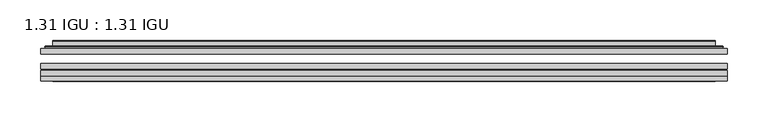
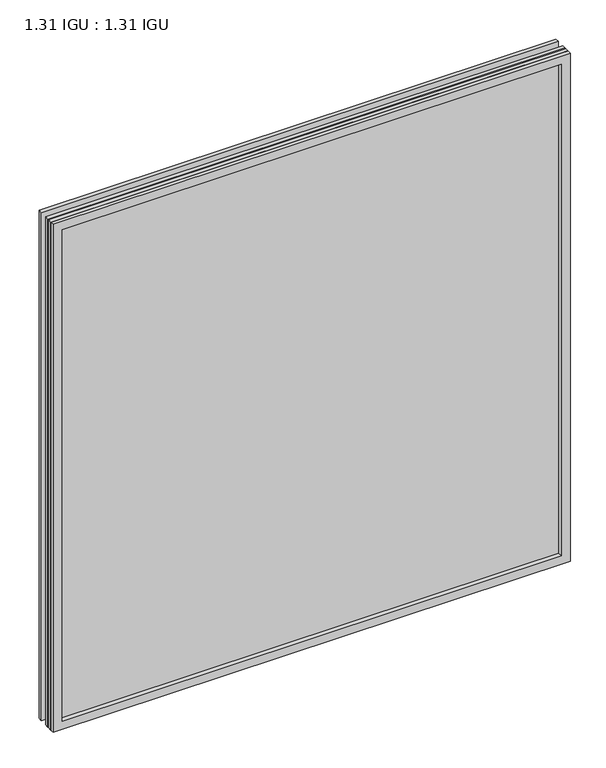
"""IFC4 building model written with IfcOpenShell, lengths in millimetres: plate geometry, 1.31 IGU : 1.31 IGU."""

from ifc_helpers import new_model, si_unit, frame, origin, place, context, project, spatial, polyline, ellipse_curve, outline, extrude, faceted_brep, source, transform, mapped, element, save
from ifc_brep_helpers import plane_surface, cylinder_surface, advanced_brep


def plate_1_31_igu_1_31_igu_b12b6b4f(model_context):
    return source(origin(), model_context, "Body", "SolidModel", [
        extrude(outline(polyline([(419.1140393, -63.59525), (419.1140393, -69.94525), (-419.0998644, -69.94525), (-419.0998644, -63.59525), (419.1140393, -63.59525)])), frame((0.0, 0.0, -14.2875), z_axis=(0.0, 0.0, 1.0), x_axis=(1.0, 0.0, 0.0)), (0.0, 0.0, 1.0), 869.9537979),
        extrude(outline(polyline([(-419.0998644, -78.58125), (-419.0998644, -72.230745), (419.1140393, -72.230745), (419.1140393, -78.58125), (-419.0998644, -78.58125)])), frame((0.0, 0.0, -14.2875), z_axis=(0.0, 0.0, 1.0), x_axis=(1.0, 0.0, 0.0)), (0.0, 0.0, 1.0), 869.9537979),
        extrude(outline(polyline([(419.1140393, -45.25645), (419.1140393, -51.60645), (-419.0998644, -51.60645), (-419.0998644, -45.25645), (419.1140393, -45.25645)])), frame((0.0, 0.0, -14.2875), z_axis=(0.0, 0.0, 1.0), x_axis=(1.0, 0.0, 0.0)), (0.0, 0.0, 1.0), 869.9537979),
        faceted_brep([(-419.1125644, -84.93125, 855.6752), (-419.1125644, -78.58125, 855.6752), (-419.1125644, -78.58125, -14.3002), (-419.1125644, -84.93125, -14.3002), (419.1125644, -78.58125, -14.3002), (419.1125644, -84.93125, -14.3002), (419.1125644, -78.58125, 855.6752), (419.1125644, -84.93125, 855.6752), (-403.9146202, -78.58125, 0.8977441), (403.9146202, -78.58125, 0.8977441), (403.9146202, -78.58125, 840.4772559), (-403.9146202, -78.58125, 840.4772559), (-404.8070545, -84.93125, 841.3696902), (404.8070545, -84.93125, 841.3696902), (404.8070545, -84.93125, 0.0053098), (-404.8070545, -84.93125, 0.0053098)], [[[0, 1, 2, 3]], [[3, 2, 4, 5]], [[5, 4, 6, 7]], [[1, 6, 4, 2], [8, 9, 10, 11]], [[7, 6, 1, 0]], [[3, 5, 7, 0], [12, 13, 14, 15]], [[11, 12, 15, 8]], [[8, 15, 14, 9]], [[9, 14, 13, 10]], [[10, 13, 12, 11]]]),
        advanced_brep(
        [(-411.8585834, -45.25645, 848.4212191), (-414.2127888, -43.2667833, 850.7754244), (-414.2127888, -43.2667833, -9.4004244), (-411.8585834, -45.25645, -7.046219), (-402.7842583, -41.416413, 839.3468939), (-397.8494264, -45.25645, 834.4120621), (-397.8494264, -45.25645, 6.9629379), (-402.7842583, -41.416413, 2.0281061), (-403.816286, -36.0191819, 840.3789217), (-403.816286, -36.0191819, 0.9960783), (-404.8069428, -35.6202069, 841.3695784), (-404.8069428, -35.6202069, 0.0054216), (-404.8069428, -42.08145, 841.3695784), (-404.8069428, -42.08145, 0.0054216), (-413.2109992, -42.08145, 849.7736349), (-413.2109992, -42.08145, -8.3986349), (414.2127888, -43.2667833, -9.4004244), (411.8585834, -45.25645, -7.046219), (397.8494264, -45.25645, 6.9629379), (402.7842583, -41.416413, 2.0281061), (403.816286, -36.0191819, 0.9960783), (404.8069428, -35.6202069, 0.0054216), (404.8069428, -42.08145, 0.0054216), (413.2109992, -42.08145, -8.3986349), (414.2127888, -43.2667833, 850.7754244), (411.8585834, -45.25645, 848.4212191), (397.8494264, -45.25645, 834.4120621), (402.7842583, -41.416413, 839.3468939), (403.816286, -36.0191819, 840.3789217), (404.8069428, -35.6202069, 841.3695784), (404.8069428, -42.08145, 841.3695784), (413.2109992, -42.08145, 849.7736349)],
        [
            (0, 1, ellipse_curve(frame((-411.8585834, -42.86885, 848.4212191), z_axis=(-0.7071067811865475, 0.0, -0.7071067811865475), x_axis=(-0.7071067811865474, 0.0, 0.7071067811865476)), 3.3765763, 2.3876)),
            (1, 2),
            (2, 3, ellipse_curve(frame((-411.8585834, -42.86885, -7.046219), z_axis=(-0.7071067811865475, 0.0, 0.7071067811865475), x_axis=(0.7071067811865474, 0.0, 0.7071067811865476)), 3.3765763, 2.3876)),
            (3, 0),
            (4, 5),
            (5, 6),
            (6, 7),
            (7, 4),
            (8, 4),
            (7, 9),
            (9, 8),
            (10, 8, ellipse_curve(frame((-404.4399862, -36.1384423, 841.0026219), z_axis=(-0.7071067811865475, 0.0, -0.7071067811865475), x_axis=(-0.7071067811865474, 0.0, 0.7071067811865476)), 0.8980256, 0.635)),
            (9, 11, ellipse_curve(frame((-404.4399862, -36.1384423, 0.3723781), z_axis=(-0.7071067811865475, 0.0, 0.7071067811865475), x_axis=(0.7071067811865474, 0.0, 0.7071067811865476)), 0.8980256, 0.635)),
            (11, 10),
            (12, 10),
            (11, 13),
            (13, 12),
            (1, 14, ellipse_curve(frame((-413.2109992, -43.09745, 849.7736349), z_axis=(-0.7071067811865475, 0.0, -0.7071067811865475), x_axis=(-0.7071067811865474, 0.0, 0.7071067811865476)), 1.436841, 1.016)),
            (14, 15),
            (15, 2, ellipse_curve(frame((-413.2109992, -43.09745, -8.3986349), z_axis=(-0.7071067811865475, 0.0, 0.7071067811865475), x_axis=(0.7071067811865474, 0.0, 0.7071067811865476)), 1.436841, 1.016)),
            (2, 16),
            (16, 17, ellipse_curve(frame((411.8585834, -42.86885, -7.046219), z_axis=(-0.7071067811865475, 0.0, -0.7071067811865475), x_axis=(-0.7071067811865476, 0.0, 0.7071067811865474)), 3.3765763, 2.3876)),
            (17, 3),
            (6, 18),
            (18, 19),
            (19, 7),
            (19, 20),
            (20, 9),
            (20, 21, ellipse_curve(frame((404.4399862, -36.1384423, 0.3723781), z_axis=(-0.7071067811865475, 0.0, -0.7071067811865475), x_axis=(-0.7071067811865476, 0.0, 0.7071067811865474)), 0.8980256, 0.635)),
            (21, 11),
            (21, 22),
            (22, 13),
            (15, 23),
            (23, 16, ellipse_curve(frame((413.2109992, -43.09745, -8.3986349), z_axis=(-0.7071067811865475, 0.0, -0.7071067811865475), x_axis=(-0.7071067811865476, 0.0, 0.7071067811865474)), 1.436841, 1.016)),
            (16, 24),
            (24, 25, ellipse_curve(frame((411.8585834, -42.86885, 848.4212191), z_axis=(0.7071067811865475, 0.0, -0.7071067811865475), x_axis=(-0.7071067811865474, 0.0, -0.7071067811865476)), 3.3765763, 2.3876)),
            (25, 17),
            (18, 26),
            (26, 27),
            (27, 19),
            (27, 28),
            (28, 20),
            (28, 29, ellipse_curve(frame((404.4399862, -36.1384423, 841.0026219), z_axis=(0.7071067811865475, 0.0, -0.7071067811865475), x_axis=(-0.7071067811865474, 0.0, -0.7071067811865476)), 0.8980256, 0.635)),
            (29, 21),
            (29, 30),
            (30, 22),
            (23, 31),
            (31, 24, ellipse_curve(frame((413.2109992, -43.09745, 849.7736349), z_axis=(0.7071067811865475, 0.0, -0.7071067811865475), x_axis=(-0.7071067811865474, 0.0, -0.7071067811865476)), 1.436841, 1.016)),
            (24, 1),
            (0, 25),
            (5, 26),
            (4, 27),
            (8, 28),
            (10, 29),
            (12, 30),
            (14, 31),
        ],
        [
            cylinder_surface(frame((-411.8585834, -42.86885, 873.125), z_axis=(0.0, 0.0, 1.0), x_axis=(-1.0, 0.0, 0.0)), 2.3876),
            plane_surface(frame((-397.8494264, -45.25645, 834.4120621), z_axis=(0.6141233906514794, 0.7892100234124821, 0.0), x_axis=(0.0, 0.0, -1.0))),
            plane_surface(frame((-402.7842583, -41.416413, 839.3468939), z_axis=(0.9822050625507729, 0.18781164793386076, 0.0), x_axis=(0.0, 0.0, -1.0))),
            cylinder_surface(frame((-404.4399862, -36.1384423, 873.125), z_axis=(0.0, 0.0, 1.0), x_axis=(-1.0, 0.0, 0.0)), 0.635),
            plane_surface(frame((-404.8069428, -35.6202069, 841.3695784), z_axis=(-1.0, 0.0, 0.0), x_axis=(0.0, 0.0, -1.0))),
            cylinder_surface(frame((-413.2109992, -43.09745, 873.125), z_axis=(0.0, 0.0, 1.0), x_axis=(-1.0, 0.0, 0.0)), 1.016),
            cylinder_surface(frame((-436.5623644, -42.86885, -7.046219), z_axis=(-1.0, 0.0, 0.0), x_axis=(0.0, 0.0, -1.0)), 2.3876),
            plane_surface(frame((-397.8494264, -45.25645, 6.9629379), z_axis=(0.0, 0.7892100234124841, 0.6141233906514768), x_axis=(1.0, 0.0, 0.0))),
            plane_surface(frame((-402.7842583, -41.416413, 2.0281061), z_axis=(0.0, 0.18781164793386393, 0.9822050625507723), x_axis=(1.0, 0.0, 0.0))),
            cylinder_surface(frame((-436.5623644, -36.1384423, 0.3723781), z_axis=(-1.0, 0.0, 0.0), x_axis=(0.0, 0.0, -1.0)), 0.635),
            plane_surface(frame((-404.8069428, -35.6202069, 0.0054216), z_axis=(0.0, 0.0, -1.0), x_axis=(1.0, 0.0, 0.0))),
            cylinder_surface(frame((-436.5623644, -43.09745, -8.3986349), z_axis=(-1.0, 0.0, 0.0), x_axis=(0.0, 0.0, -1.0)), 1.016),
            cylinder_surface(frame((411.8585834, -42.86885, -31.75), z_axis=(0.0, 0.0, -1.0), x_axis=(1.0, 0.0, 0.0)), 2.3876),
            plane_surface(frame((397.8494264, -45.25645, 6.9629379), z_axis=(-0.6141233906514743, 0.7892100234124861, 0.0), x_axis=(0.0, 0.0, 1.0))),
            plane_surface(frame((402.7842583, -41.416413, 2.0281061), z_axis=(-0.9822050625507718, 0.1878116479338671, 0.0), x_axis=(0.0, 0.0, 1.0))),
            cylinder_surface(frame((404.4399862, -36.1384423, -31.75), z_axis=(0.0, 0.0, -1.0), x_axis=(1.0, 0.0, 0.0)), 0.635),
            plane_surface(frame((404.8069428, -35.6202069, 0.0054216), z_axis=(1.0, 0.0, 0.0), x_axis=(0.0, 0.0, 1.0))),
            cylinder_surface(frame((413.2109992, -43.09745, -31.75), z_axis=(0.0, 0.0, -1.0), x_axis=(1.0, 0.0, 0.0)), 1.016),
            cylinder_surface(frame((436.5623644, -42.86885, 848.4212191), z_axis=(1.0, 0.0, 0.0), x_axis=(0.0, 0.0, 1.0)), 2.3876),
            plane_surface(frame((411.8585834, -45.25645, 848.4212191), z_axis=(0.0, -1.0, 0.0), x_axis=(-1.0, 0.0, 0.0))),
            plane_surface(frame((397.8494264, -45.25645, 834.4120621), z_axis=(0.0, 0.7892100234124841, -0.6141233906514768), x_axis=(-1.0, 0.0, 0.0))),
            plane_surface(frame((402.7842583, -41.416413, 839.3468939), z_axis=(0.0, 0.18781164793386393, -0.9822050625507723), x_axis=(-1.0, 0.0, 0.0))),
            cylinder_surface(frame((436.5623644, -36.1384423, 841.0026219), z_axis=(1.0, 0.0, 0.0), x_axis=(0.0, 0.0, 1.0)), 0.635),
            plane_surface(frame((404.8069428, -35.6202069, 841.3695784), z_axis=(0.0, 0.0, 1.0), x_axis=(-1.0, 0.0, 0.0))),
            plane_surface(frame((404.8069428, -42.08145, 841.3695784), z_axis=(0.0, 1.0, 0.0), x_axis=(-1.0, 0.0, 0.0))),
            cylinder_surface(frame((436.5623644, -43.09745, 849.7736349), z_axis=(1.0, 0.0, 0.0), x_axis=(0.0, 0.0, 1.0)), 1.016),
        ],
        [
            (0, [[1, 2, 3, 4]]),
            (1, [[5, 6, 7, 8]]),
            (2, [[9, -8, 10, 11]]),
            (3, [[12, -11, 13, 14]]),
            (4, [[15, -14, 16, 17]]),
            (5, [[18, 19, 20, -2]]),
            (6, [[-3, 21, 22, 23]]),
            (7, [[-7, 24, 25, 26]]),
            (8, [[-10, -26, 27, 28]]),
            (9, [[-13, -28, 29, 30]]),
            (10, [[-16, -30, 31, 32]]),
            (11, [[-20, 33, 34, -21]]),
            (12, [[-22, 35, 36, 37]]),
            (13, [[-25, 38, 39, 40]]),
            (14, [[-27, -40, 41, 42]]),
            (15, [[-29, -42, 43, 44]]),
            (16, [[-31, -44, 45, 46]]),
            (17, [[-34, 47, 48, -35]]),
            (18, [[-36, 49, -1, 50]]),
            (19, [[-23, -37, -50, -4], [51, -38, -24, -6]]),
            (20, [[-39, -51, -5, 52]]),
            (21, [[-41, -52, -9, 53]]),
            (22, [[-43, -53, -12, 54]]),
            (23, [[-45, -54, -15, 55]]),
            (24, [[56, -47, -33, -19], [-32, -46, -55, -17]]),
            (25, [[-48, -56, -18, -49]]),
        ],
    ),
    ])


if __name__ == "__main__":
    model = new_model("IFC4")
    model_context = context("Model", 3, world=origin())
    ifc_project = project(units=[si_unit("LENGTHUNIT", "METRE", prefix="MILLI")], contexts=[model_context])
    site = spatial("IfcSite", under=ifc_project)
    building = spatial("IfcBuilding", under=site)
    placement = place(None, origin())
    plate_1_31_igu_1_31_igu_shape = plate_1_31_igu_1_31_igu_b12b6b4f(model_context)
    element("IfcPlate", 1, ObjectType="1.31 IGU : 1.31 IGU", at=placement, inside=building, context=model_context, shape_type="MappedRepresentation", body=[
        mapped(plate_1_31_igu_1_31_igu_shape, transform((0.0, 0.0, 0.0), x_axis=(1.0, 0.0, 0.0), y_axis=(0.0, 1.0, 0.0), z_axis=(0.0, 0.0, 1.0))),
    ])
    save(model, "model.ifc")
